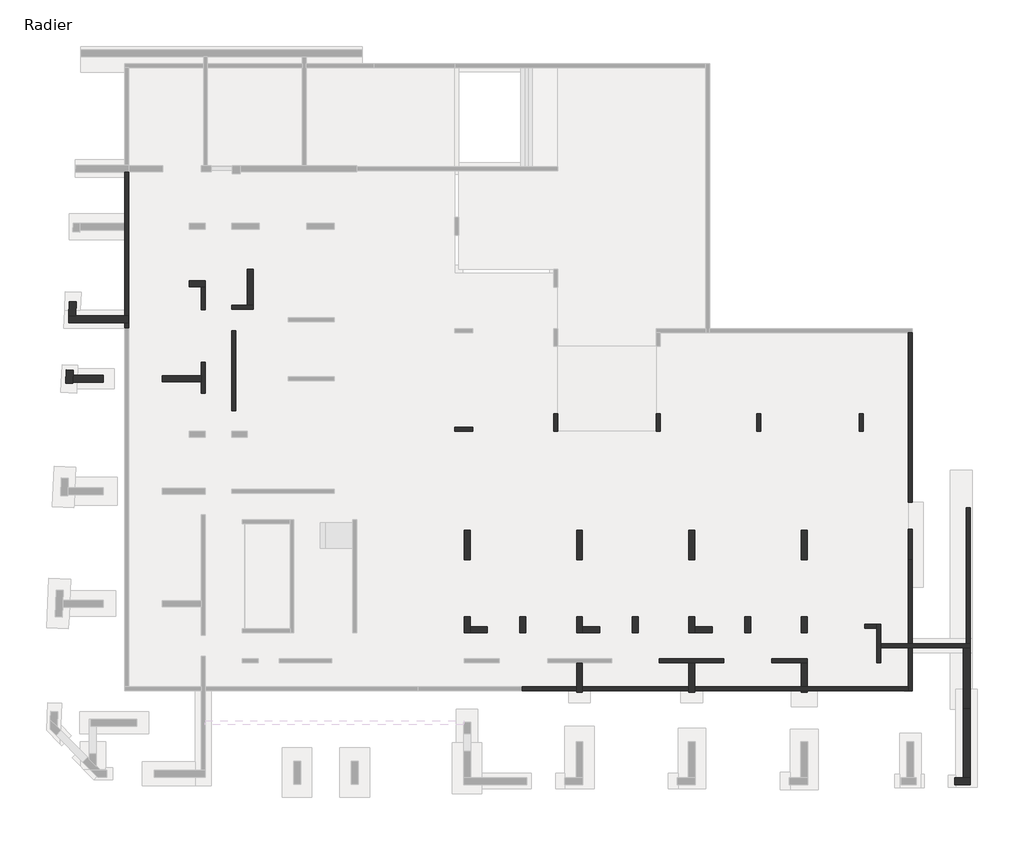
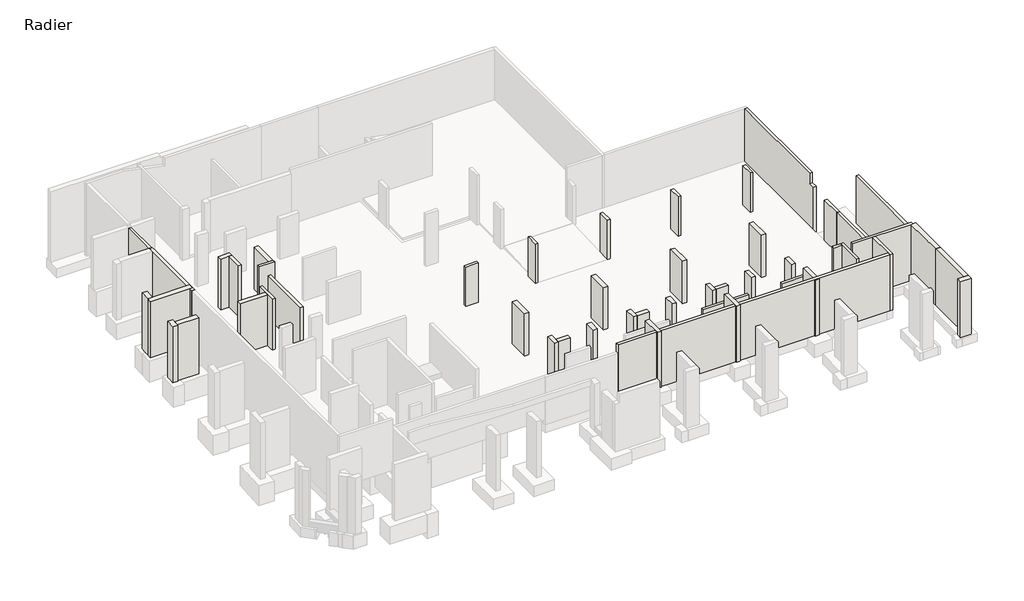
# One storey, part 2 of 5: 47 walls.
"""IFC4 building model written with IfcOpenShell, lengths in millimetres."""

from ifc_helpers import new_model, si_unit, frame, origin, place, context, project, spatial, polyline, outline, extrude, faceted_brep, element, save

model = new_model("IFC4")

# Units and contexts
model_context = context("Model", 3, world=origin())
ifc_project = project(units=[si_unit("LENGTHUNIT", "METRE", prefix="MILLI")], contexts=[model_context])

# Site, building, storey
site = spatial("IfcSite", under=ifc_project)
building = spatial("IfcBuilding", under=site)
storey = spatial("IfcBuildingStorey", under=building, Name="Radier", Elevation=-3900.0)

# Walls
placement = place(None, origin())
element("IfcWall", 1, ObjectType="MHA20", at=placement, inside=storey, context=model_context, shape_type="Brep", body=[
    faceted_brep([(-2535.6912908, -13279.0672499, -4300.0), (-2535.6912908, -12519.0672499, -4300.0), (-2535.6912908, -12319.0672499, -4300.0), (-2535.6912908, -11329.0672499, -4300.0), (-2535.6912908, -11329.0672499, -670.0), (-2535.6912908, -13279.0672499, -670.0), (-2735.6912908, -13279.0672499, -4300.0), (-2735.6912908, -13279.0672499, -670.0), (-2735.6912908, -11529.0672499, -670.0), (-2735.6912908, -11329.0672499, -670.0), (-2735.6912908, -11329.0672499, -4300.0), (-2735.6912908, -11529.0672499, -4300.0)], [[[0, 1, 2, 3, 4, 5]], [[6, 7, 8, 9, 10, 11]], [[3, 2, 1, 0, 6, 11, 10]], [[5, 4, 9, 8, 7]], [[0, 5, 7, 6]], [[4, 3, 10, 9]]]),
])
element("IfcWall", 2, ObjectType="MHA20", at=placement, inside=storey, context=model_context, shape_type="Brep", body=[
    faceted_brep([(-2535.6912908, -12519.0672499, -20.0), (-2535.6912908, -12519.0672499, -4300.0), (-1125.6912908, -12519.0672499, -4300.0), (-925.6912908, -12519.0672499, -4300.0), (1644.3087092, -12519.0672499, -4300.0), (1994.3087092, -12519.0672499, -4300.0), (1994.3087092, -12519.0672499, -670.0), (1794.3087092, -12519.0672499, -670.0), (1794.3087092, -12519.0672499, -20.0), (1644.3087092, -12519.0672499, -20.0), (-925.6912908, -12519.0672499, -20.0), (-1125.6912908, -12519.0672499, -20.0), (-2535.6912908, -12319.0672499, -4300.0), (-2535.6912908, -12319.0672499, -20.0), (1794.3087092, -12319.0672499, -20.0), (1794.3087092, -12319.0672499, -670.0), (1994.3087092, -12319.0672499, -670.0), (1994.3087092, -12319.0672499, -4300.0), (-925.6912908, -12319.0672499, -4300.0), (-1125.6912908, -12319.0672499, -4300.0)], [[[0, 1, 2, 3, 4, 5, 6, 7, 8, 9, 10, 11]], [[12, 13, 14, 15, 16, 17, 18, 19]], [[5, 4, 3, 2, 1, 12, 19, 18, 17]], [[0, 11, 10, 9, 8, 14, 13]], [[0, 13, 12, 1]], [[15, 7, 6, 16]], [[6, 5, 17, 16]], [[8, 7, 15, 14]]]),
])
element("IfcWall", 3, ObjectType="MHA20", at=placement, inside=storey, context=model_context, shape_type="Brep", body=[
    faceted_brep([(-6255.6912908, -13079.0672499, -4300.0), (-8050.6912908, -13079.0672499, -4300.0), (-8050.6912908, -13079.0672499, -670.0), (-6255.6912908, -13079.0672499, -670.0), (-6255.6912908, -13279.0672499, -4300.0), (-6255.6912908, -13279.0672499, -670.0), (-8050.6912908, -13279.0672499, -670.0), (-8050.6912908, -13279.0672499, -4300.0), (-6555.6912908, -13279.0672499, -4300.0)], [[[0, 1, 2, 3]], [[4, 5, 6, 7, 8]], [[1, 0, 4, 8, 7]], [[2, 1, 7, 6]], [[3, 2, 6, 5]], [[0, 3, 5, 4]]]),
])
element("IfcWall", 4, ObjectType="MHA20", at=placement, inside=storey, context=model_context, shape_type="SweptSolid", body=[
    extrude(outline(polyline([(3440.9327501, -4300.0), (-5144.0672499, -4300.0), (-5144.0672499, -673.85), (-4689.0672499, -680.22), (-4689.0672499, 100.0), (3440.9327501, 100.0), (3440.9327501, -4300.0)])), frame((-1125.6912908, 0.0, 0.0), z_axis=(1.0, 0.0, 0.0), x_axis=(0.0, 1.0, 0.0)), (0.0, 0.0, 1.0), 200.0),
])
element("IfcWall", 5, ObjectType="MHA20", at=placement, inside=storey, context=model_context, shape_type="Brep", body=[
    faceted_brep([(-10470.6912908, -13079.0672499, -4300.0), (-13740.6912908, -13079.0672499, -4300.0), (-13740.6912908, -13079.0672499, -670.0), (-10470.6912908, -13079.0672499, -670.0), (-10470.6912908, -13279.0672499, -4300.0), (-10470.6912908, -13279.0672499, -670.0), (-13740.6912908, -13279.0672499, -670.0), (-13740.6912908, -13279.0672499, -4300.0), (-12245.6912908, -13279.0672499, -4300.0), (-11945.6912908, -13279.0672499, -4300.0)], [[[0, 1, 2, 3]], [[4, 5, 6, 7, 8, 9]], [[1, 0, 4, 9, 8, 7]], [[2, 1, 7, 6]], [[3, 2, 6, 5]], [[0, 3, 5, 4]]]),
])
element("IfcWall", 6, ObjectType="MHA20", at=placement, inside=storey, context=model_context, shape_type="SweptSolid", body=[
    extrude(outline(polyline([(-35205.6912908, 3530.9327501), (-35205.6912908, -509.0672499), (-35405.6912908, -509.0672499), (-35405.6912908, 3530.9327501), (-35205.6912908, 3530.9327501)])), frame((0.0, 0.0, -4300.0), z_axis=(0.0, 0.0, 1.0), x_axis=(1.0, 0.0, 0.0)), (0.0, 0.0, 1.0), 3630.0),
])
element("IfcWall", 7, ObjectType="MHA20", at=placement, inside=storey, context=model_context, shape_type="Brep", body=[
    faceted_brep([(-35405.6912908, 4620.9327501, -4300.0), (-34305.6912908, 4620.9327501, -4300.0), (-34305.6912908, 4620.9327501, -670.0), (-35405.6912908, 4620.9327501, -670.0), (-35405.6912908, 4820.9327501, -4300.0), (-35405.6912908, 4820.9327501, -670.0), (-34605.6912908, 4820.9327501, -670.0), (-34305.6912908, 4820.9327501, -670.0), (-34305.6912908, 4820.9327501, -4300.0), (-34605.6912908, 4820.9327501, -4300.0)], [[[0, 1, 2, 3]], [[4, 5, 6, 7, 8, 9]], [[1, 0, 4, 9, 8]], [[3, 2, 7, 6, 5]], [[0, 3, 5, 4]], [[2, 1, 8, 7]]]),
])
element("IfcWall", 8, ObjectType="MHA20", at=placement, inside=storey, context=model_context, shape_type="Brep", body=[
    faceted_brep([(-36735.6912908, 360.9327501, -4300.0), (-36735.6912908, 1930.9327501, -4300.0), (-36735.6912908, 1930.9327501, -820.0), (-36735.6912908, 1930.9327501, -180.0), (-36735.6912908, 1930.9327501, -20.0), (-36735.6912908, 360.9327501, -20.0), (-36735.6912908, 360.9327501, -180.0), (-36735.6912908, 360.9327501, -820.0), (-36935.6912908, 360.9327501, -4300.0), (-36935.6912908, 360.9327501, -820.0), (-36935.6912908, 360.9327501, -180.0), (-36935.6912908, 360.9327501, -20.0), (-36935.6912908, 950.9327501, -20.0), (-36935.6912908, 1250.9327501, -20.0), (-36935.6912908, 1930.9327501, -20.0), (-36935.6912908, 1930.9327501, -180.0), (-36935.6912908, 1930.9327501, -820.0), (-36935.6912908, 1930.9327501, -4300.0), (-36935.6912908, 1250.9327501, -4300.0), (-36935.6912908, 950.9327501, -4300.0)], [[[0, 1, 2, 3, 4, 5, 6, 7]], [[8, 9, 10, 11, 12, 13, 14, 15, 16, 17, 18, 19]], [[1, 0, 8, 19, 18, 17]], [[4, 3, 2, 1, 17, 16, 15, 14]], [[5, 4, 14, 13, 12, 11]], [[0, 7, 6, 5, 11, 10, 9, 8]]]),
])
element("IfcWall", 9, ObjectType="MHA20", at=placement, inside=storey, context=model_context, shape_type="Brep", body=[
    faceted_brep([(-36935.6912908, 5760.9327501, -4300.0), (-36935.6912908, 4590.9327501, -4300.0), (-36935.6912908, 4590.9327501, -820.0), (-36935.6912908, 4590.9327501, -180.0), (-36935.6912908, 4590.9327501, -20.0), (-36935.6912908, 5760.9327501, -20.0), (-36735.6912908, 5760.9327501, -4300.0), (-36735.6912908, 5760.9327501, -20.0), (-36735.6912908, 4590.9327501, -20.0), (-36735.6912908, 4590.9327501, -180.0), (-36735.6912908, 4590.9327501, -820.0), (-36735.6912908, 4590.9327501, -4300.0)], [[[0, 1, 2, 3, 4, 5]], [[6, 7, 8, 9, 10, 11]], [[1, 0, 6, 11]], [[4, 3, 2, 1, 11, 10, 9, 8]], [[5, 4, 8, 7]], [[0, 5, 7, 6]]]),
])
element("IfcWall", 10, ObjectType="MHA20", at=placement, inside=storey, context=model_context, shape_type="Brep", body=[
    faceted_brep([(1994.3087092, -12319.0672499, -4300.0), (1994.3087092, -5419.0672499, -4300.0), (1994.3087092, -5419.0672499, -1250.0), (1994.3087092, -5419.0672499, -670.0), (1994.3087092, -12319.0672499, -670.0), (1794.3087092, -12319.0672499, -4300.0), (1794.3087092, -12319.0672499, -670.0), (1794.3087092, -5419.0672499, -670.0), (1794.3087092, -5419.0672499, -1250.0), (1794.3087092, -5419.0672499, -4300.0)], [[[0, 1, 2, 3, 4]], [[5, 6, 7, 8, 9]], [[1, 0, 5, 9]], [[4, 3, 7, 6]], [[0, 4, 6, 5]], [[3, 2, 1, 9, 8, 7]]]),
])
element("IfcWall", 11, ObjectType="MHA20", at=placement, inside=storey, context=model_context, shape_type="SweptSolid", body=[
    extrude(outline(polyline([(-2735.6912908, -11529.0672499), (-3335.6912908, -11529.0672499), (-3335.6912908, -11329.0672499), (-2735.6912908, -11329.0672499), (-2735.6912908, -11529.0672499)])), frame((0.0, 0.0, -4300.0), z_axis=(0.0, 0.0, 1.0), x_axis=(1.0, 0.0, 0.0)), (0.0, 0.0, 1.0), 3630.0),
])
element("IfcWall", 12, ObjectType="MHA20", at=placement, inside=storey, context=model_context, shape_type="SweptSolid", body=[
    extrude(outline(polyline([(-1125.6912908, -8069.0672499), (-1125.6912908, -6519.0672499), (-925.6912908, -6519.0672499), (-925.6912908, -8069.0672499), (-1125.6912908, -8069.0672499)])), frame((0.0, 0.0, -4300.0), z_axis=(0.0, 0.0, 1.0), x_axis=(1.0, 0.0, 0.0)), (0.0, 0.0, 1.0), 3470.0),
])
element("IfcWall", 13, ObjectType="MHA20", at=placement, inside=storey, context=model_context, shape_type="Brep", body=[
    faceted_brep([(-1125.6912908, -8069.0672499, -830.0), (-1125.6912908, -8069.0672499, -4300.0), (-1125.6912908, -12319.0672499, -4300.0), (-1125.6912908, -12319.0672499, -830.0), (-925.6912908, -8069.0672499, -4300.0), (-925.6912908, -8069.0672499, -830.0), (-925.6912908, -12319.0672499, -830.0), (-925.6912908, -12319.0672499, -4300.0)], [[[0, 1, 2, 3]], [[4, 5, 6, 7]], [[3, 2, 7, 6]], [[1, 4, 7, 2]], [[5, 0, 3, 6]], [[1, 0, 5, 4]]]),
    faceted_brep([(-1125.6912908, -14699.0672499, -4300.0), (-1125.6912908, -14699.0672499, -20.0), (-1125.6912908, -14499.0672499, -20.0), (-1125.6912908, -12519.0672499, -20.0), (-1125.6912908, -12519.0672499, -4300.0), (-1125.6912908, -14499.0672499, -4300.0), (-925.6912908, -14699.0672499, -20.0), (-925.6912908, -14699.0672499, -140.0), (-925.6912908, -14699.0672499, -820.0), (-925.6912908, -14699.0672499, -4300.0), (-925.6912908, -12519.0672499, -4300.0), (-925.6912908, -12519.0672499, -20.0)], [[[0, 1, 2, 3, 4, 5]], [[6, 7, 8, 9, 10, 11]], [[9, 0, 5, 4, 10]], [[1, 0, 9, 8, 7, 6]], [[3, 2, 1, 6, 11]], [[3, 11, 10, 4]]]),
])
element("IfcWall", 14, ObjectType="MHA20", at=placement, inside=storey, context=model_context, shape_type="Brep", body=[
    faceted_brep([(-40605.6912908, 3675.9327501, -4900.0), (-40605.6912908, 11750.9327501, -4900.0), (-40605.6912908, 11750.9327501, -3900.0), (-40605.6912908, 11575.9327501, -3900.0), (-40605.6912908, 11575.9327501, -67.8), (-40605.6912908, 8980.9327501, -67.8), (-40605.6912908, 8980.9327501, -20.0), (-40605.6912908, 8680.9327501, -20.0), (-40605.6912908, 3675.9327501, -20.0), (-40805.6912908, 11750.9327501, -4900.0), (-40805.6912908, 3675.9327501, -4900.0), (-40805.6912908, 3675.9327501, -20.0), (-40805.6912908, 8630.9327501, -20.0), (-40805.6912908, 8680.9327501, -20.0), (-40805.6912908, 8980.9327501, -20.0), (-40805.6912908, 8980.9327501, -55.8), (-40805.6912908, 11575.9327501, -55.8), (-40805.6912908, 11575.9327501, -3900.0), (-40805.6912908, 11750.9327501, -3900.0)], [[[0, 1, 2, 3, 4, 5, 6, 7, 8]], [[9, 10, 11, 12, 13, 14, 15, 16, 17, 18]], [[1, 0, 10, 9]], [[11, 8, 7, 6, 14, 13, 12]], [[0, 8, 11, 10]], [[1, 9, 18, 2]], [[3, 2, 18, 17]], [[3, 17, 16, 4]], [[5, 15, 14, 6]], [[15, 5, 4, 16]]]),
])
element("IfcWall", 15, ObjectType="MHA20", at=placement, inside=storey, context=model_context, shape_type="Brep", body=[
    faceted_brep([(-20715.6912908, -14699.0672499, -4300.0), (-1125.6912908, -14699.0672499, -4300.0), (-1125.6912908, -14699.0672499, -20.0), (-20715.6912908, -14699.0672499, -20.0), (-20715.6912908, -14499.0672499, -4300.0), (-20715.6912908, -14499.0672499, -20.0), (-1125.6912908, -14499.0672499, -20.0), (-1125.6912908, -14499.0672499, -180.0), (-1125.6912908, -14499.0672499, -820.0), (-1125.6912908, -14499.0672499, -4300.0)], [[[0, 1, 2, 3]], [[4, 5, 6, 7, 8, 9]], [[1, 0, 4, 9]], [[3, 2, 6, 5]], [[0, 3, 5, 4]], [[2, 1, 9, 8, 7, 6]]]),
])
element("IfcWall", 16, ObjectType="MHA20", at=placement, inside=storey, context=model_context, shape_type="Brep", body=[
    faceted_brep([(-3415.6912908, -1559.1017012, -4300.0), (-3415.6912908, -659.1017012, -4300.0), (-3415.6912908, -659.1017012, -1450.0), (-3415.6912908, -659.1017012, -900.0), (-3415.6912908, -1559.1017012, -900.0), (-3415.6912908, -1559.1017012, -1450.0), (-3615.6912908, -1559.1017012, -4300.0), (-3615.6912908, -1559.1017012, -1450.0), (-3615.6912908, -1559.1017012, -900.0), (-3615.6912908, -659.1017012, -900.0), (-3615.6912908, -659.1017012, -1450.0), (-3615.6912908, -659.1017012, -4300.0)], [[[0, 1, 2, 3, 4, 5]], [[6, 7, 8, 9, 10, 11]], [[1, 0, 6, 11]], [[3, 2, 1, 11, 10, 9]], [[4, 3, 9, 8]], [[0, 5, 4, 8, 7, 6]]]),
])
element("IfcWall", 17, ObjectType="MHA20", at=placement, inside=storey, context=model_context, shape_type="Brep", body=[
    faceted_brep([(-8595.6912908, -1559.1017012, -4300.0), (-8595.6912908, -659.1017012, -4300.0), (-8595.6912908, -659.1017012, -1450.0), (-8595.6912908, -659.1017012, -900.0), (-8595.6912908, -1559.1017012, -900.0), (-8595.6912908, -1559.1017012, -1450.0), (-8795.6912908, -1559.1017012, -4300.0), (-8795.6912908, -1559.1017012, -1450.0), (-8795.6912908, -1559.1017012, -900.0), (-8795.6912908, -659.1017012, -900.0), (-8795.6912908, -659.1017012, -1450.0), (-8795.6912908, -659.1017012, -4300.0)], [[[0, 1, 2, 3, 4, 5]], [[6, 7, 8, 9, 10, 11]], [[1, 0, 6, 11]], [[3, 2, 1, 11, 10, 9]], [[4, 3, 9, 8]], [[0, 5, 4, 8, 7, 6]]]),
])
element("IfcWall", 18, ObjectType="MHA20", at=placement, inside=storey, context=model_context, shape_type="Brep", body=[
    faceted_brep([(-13695.6912908, -1559.1017012, -4300.0), (-13695.6912908, -659.1017012, -4300.0), (-13695.6912908, -659.1017012, -1450.0), (-13695.6912908, -659.1017012, -900.0), (-13695.6912908, -1559.1017012, -900.0), (-13695.6912908, -1559.1017012, -1450.0), (-13895.6912908, -1559.1017012, -4300.0), (-13895.6912908, -1559.1017012, -1450.0), (-13895.6912908, -1559.1017012, -900.0), (-13895.6912908, -659.1017012, -900.0), (-13895.6912908, -659.1017012, -1450.0), (-13895.6912908, -659.1017012, -4300.0), (-13895.6912908, -1359.0672499, -4300.0)], [[[0, 1, 2, 3, 4, 5]], [[6, 7, 8, 9, 10, 11, 12]], [[1, 0, 6, 12, 11]], [[3, 2, 1, 11, 10, 9]], [[4, 3, 9, 8]], [[0, 5, 4, 8, 7, 6]]]),
])
element("IfcWall", 19, ObjectType="MHA20", at=placement, inside=storey, context=model_context, shape_type="Brep", body=[
    faceted_brep([(-19095.6912908, -659.1017012, -4300.0), (-19095.6912908, -1559.1017012, -4300.0), (-19095.6912908, -1559.1017012, -1450.0), (-19095.6912908, -1559.1017012, -900.0), (-19095.6912908, -659.1017012, -900.0), (-19095.6912908, -659.1017012, -1450.0), (-18895.6912908, -659.1017012, -4300.0), (-18895.6912908, -659.1017012, -1450.0), (-18895.6912908, -659.1017012, -900.0), (-18895.6912908, -1559.1017012, -900.0), (-18895.6912908, -1559.1017012, -1450.0), (-18895.6912908, -1559.1017012, -4300.0), (-18895.6912908, -1359.0672499, -4300.0)], [[[0, 1, 2, 3, 4, 5]], [[6, 7, 8, 9, 10, 11, 12]], [[1, 0, 6, 12, 11]], [[3, 2, 1, 11, 10, 9]], [[4, 3, 9, 8]], [[0, 5, 4, 8, 7, 6]]]),
])
element("IfcWall", 20, ObjectType="MHA20", at=placement, inside=storey, context=model_context, shape_type="Brep", body=[
    faceted_brep([(-24095.725742, -1559.1017012, -4300.0), (-23195.725742, -1559.1017012, -4300.0), (-23195.725742, -1559.1017012, -1450.0), (-23195.725742, -1559.1017012, -900.0), (-24095.725742, -1559.1017012, -900.0), (-24095.725742, -1559.1017012, -1450.0), (-24095.725742, -1359.1017012, -4300.0), (-24095.725742, -1359.1017012, -1450.0), (-24095.725742, -1359.1017012, -900.0), (-23195.725742, -1359.1017012, -900.0), (-23195.725742, -1359.1017012, -1450.0), (-23195.725742, -1359.1017012, -4300.0)], [[[0, 1, 2, 3, 4, 5]], [[6, 7, 8, 9, 10, 11]], [[1, 0, 6, 11]], [[3, 2, 1, 11, 10, 9]], [[4, 3, 9, 8]], [[0, 5, 4, 8, 7, 6]]]),
])
element("IfcWall", 21, ObjectType="MHA30", at=placement, inside=storey, context=model_context, shape_type="Brep", body=[
    faceted_brep([(-6255.6912908, -11759.0672499, -4300.0), (-6255.6912908, -10959.0672499, -4300.0), (-6255.6912908, -10959.0672499, -1650.0), (-6255.6912908, -10959.0672499, -830.0), (-6255.6912908, -10959.0672499, -670.0), (-6255.6912908, -11759.0672499, -670.0), (-6555.6912908, -11759.0672499, -4300.0), (-6555.6912908, -11759.0672499, -670.0), (-6555.6912908, -10959.0672499, -670.0), (-6555.6912908, -10959.0672499, -830.0), (-6555.6912908, -10959.0672499, -1650.0), (-6555.6912908, -10959.0672499, -4300.0)], [[[0, 1, 2, 3, 4, 5]], [[6, 7, 8, 9, 10, 11]], [[1, 0, 6, 11]], [[4, 3, 2, 1, 11, 10, 9, 8]], [[5, 4, 8, 7]], [[0, 5, 7, 6]]]),
])
element("IfcWall", 22, ObjectType="MHA30", at=placement, inside=storey, context=model_context, shape_type="Brep", body=[
    faceted_brep([(-11945.6912908, -11759.0672499, -4300.0), (-11945.6912908, -11459.0672499, -4300.0), (-11945.6912908, -10959.0672499, -4300.0), (-11945.6912908, -10959.0672499, -1650.0), (-11945.6912908, -10959.0672499, -830.0), (-11945.6912908, -10959.0672499, -670.0), (-11945.6912908, -11459.0672499, -670.0), (-11945.6912908, -11759.0672499, -670.0), (-12245.6912908, -11759.0672499, -4300.0), (-12245.6912908, -11759.0672499, -670.0), (-12245.6912908, -10959.0672499, -670.0), (-12245.6912908, -10959.0672499, -830.0), (-12245.6912908, -10959.0672499, -1650.0), (-12245.6912908, -10959.0672499, -4300.0)], [[[0, 1, 2, 3, 4, 5, 6, 7]], [[8, 9, 10, 11, 12, 13]], [[2, 1, 0, 8, 13]], [[5, 4, 3, 2, 13, 12, 11, 10]], [[7, 6, 5, 10, 9]], [[0, 7, 9, 8]]]),
])
element("IfcWall", 23, ObjectType="MHA30", at=placement, inside=storey, context=model_context, shape_type="SweptSolid", body=[
    extrude(outline(polyline([(-11945.6912908, -11459.0672499), (-11070.6912908, -11459.0672499), (-11070.6912908, -11759.0672499), (-11945.6912908, -11759.0672499), (-11945.6912908, -11459.0672499)])), frame((0.0, 0.0, -4300.0), z_axis=(0.0, 0.0, 1.0), x_axis=(1.0, 0.0, 0.0)), (0.0, 0.0, 1.0), 3630.0),
])
element("IfcWall", 24, ObjectType="MHA30", at=placement, inside=storey, context=model_context, shape_type="SweptSolid", body=[
    extrude(outline(polyline([(-9120.6912908, -10959.0672499), (-9120.6912908, -11759.0672499), (-9420.6912908, -11759.0672499), (-9420.6912908, -10959.0672499), (-9120.6912908, -10959.0672499)])), frame((0.0, 0.0, -4300.0), z_axis=(0.0, 0.0, 1.0), x_axis=(1.0, 0.0, 0.0)), (0.0, 0.0, 1.0), 3630.0),
])
element("IfcWall", 25, ObjectType="MHA30", at=placement, inside=storey, context=model_context, shape_type="SweptSolid", body=[
    extrude(outline(polyline([(-14810.6912908, -10959.0672499), (-14810.6912908, -11759.0672499), (-15110.6912908, -11759.0672499), (-15110.6912908, -10959.0672499), (-14810.6912908, -10959.0672499)])), frame((0.0, 0.0, -4300.0), z_axis=(0.0, 0.0, 1.0), x_axis=(1.0, 0.0, 0.0)), (0.0, 0.0, 1.0), 3630.0),
])
element("IfcWall", 26, ObjectType="MHA30", at=placement, inside=storey, context=model_context, shape_type="SweptSolid", body=[
    extrude(outline(polyline([(-20500.6912908, -10959.0672499), (-20500.6912908, -11759.0672499), (-20800.6912908, -11759.0672499), (-20800.6912908, -10959.0672499), (-20500.6912908, -10959.0672499)])), frame((0.0, 0.0, -4300.0), z_axis=(0.0, 0.0, 1.0), x_axis=(1.0, 0.0, 0.0)), (0.0, 0.0, 1.0), 3630.0),
])
element("IfcWall", 27, ObjectType="MHA30", at=placement, inside=storey, context=model_context, shape_type="SweptSolid", body=[
    extrude(outline(polyline([(-34305.6912908, 6650.9327501), (-34305.6912908, 4820.9327501), (-34605.6912908, 4820.9327501), (-34605.6912908, 6650.9327501), (-34305.6912908, 6650.9327501)])), frame((0.0, 0.0, -4300.0), z_axis=(0.0, 0.0, 1.0), x_axis=(1.0, 0.0, 0.0)), (0.0, 0.0, 1.0), 3630.0),
])
element("IfcWall", 28, ObjectType="MHA30", at=placement, inside=storey, context=model_context, shape_type="Brep", body=[
    faceted_brep([(-37535.6912908, 5760.9327501, -4300.0), (-36935.6912908, 5760.9327501, -4300.0), (-36735.6912908, 5760.9327501, -4300.0), (-36735.6912908, 5760.9327501, -20.0), (-36935.6912908, 5760.9327501, -20.0), (-37535.6912908, 5760.9327501, -20.0), (-37535.6912908, 6060.9327501, -4300.0), (-37535.6912908, 6060.9327501, -300.0), (-37535.6912908, 6060.9327501, -20.0), (-36735.6912908, 6060.9327501, -20.0), (-36735.6912908, 6060.9327501, -4300.0)], [[[0, 1, 2, 3, 4, 5]], [[6, 7, 8, 9, 10]], [[2, 1, 0, 6, 10]], [[5, 4, 3, 9, 8]], [[0, 5, 8, 7, 6]], [[3, 2, 10, 9]]]),
])
element("IfcWall", 29, ObjectType="MHA30", at=placement, inside=storey, context=model_context, shape_type="Brep", body=[
    faceted_brep([(-6255.6912908, -14769.0672499, -4300.0), (-6255.6912908, -13279.0672499, -4300.0), (-6255.6912908, -13279.0672499, -820.0), (-6255.6912908, -13279.0672499, -670.0), (-6255.6912908, -13279.0672499, -180.0), (-6255.6912908, -13279.0672499, -20.0), (-6255.6912908, -14769.0672499, -20.0), (-6255.6912908, -14769.0672499, -140.0), (-6255.6912908, -14769.0672499, -820.0), (-6555.6912908, -14769.0672499, -4300.0), (-6555.6912908, -14769.0672499, -820.0), (-6555.6912908, -14769.0672499, -140.0), (-6555.6912908, -14769.0672499, -20.0), (-6555.6912908, -13279.0672499, -20.0), (-6555.6912908, -13279.0672499, -180.0), (-6555.6912908, -13279.0672499, -820.0), (-6555.6912908, -13279.0672499, -4300.0)], [[[0, 1, 2, 3, 4, 5, 6, 7, 8]], [[9, 10, 11, 12, 13, 14, 15, 16]], [[1, 0, 9, 16]], [[6, 5, 13, 12]], [[0, 8, 7, 6, 12, 11, 10, 9]], [[1, 16, 15, 14, 13, 5, 4, 3, 2]]]),
])
element("IfcWall", 30, ObjectType="MHA30", at=placement, inside=storey, context=model_context, shape_type="Brep", body=[
    faceted_brep([(-17635.6912908, -14769.0672499, -4300.0), (-17635.6912908, -13279.0672499, -4300.0), (-17635.6912908, -13279.0672499, -820.0), (-17635.6912908, -13279.0672499, -180.0), (-17635.6912908, -13279.0672499, -20.0), (-17635.6912908, -14769.0672499, -20.0), (-17635.6912908, -14769.0672499, -140.0), (-17635.6912908, -14769.0672499, -820.0), (-17935.6912908, -14769.0672499, -4300.0), (-17935.6912908, -14769.0672499, -820.0), (-17935.6912908, -14769.0672499, -140.0), (-17935.6912908, -14769.0672499, -20.0), (-17935.6912908, -13279.0672499, -20.0), (-17935.6912908, -13279.0672499, -180.0), (-17935.6912908, -13279.0672499, -820.0), (-17935.6912908, -13279.0672499, -4300.0)], [[[0, 1, 2, 3, 4, 5, 6, 7]], [[8, 9, 10, 11, 12, 13, 14, 15]], [[1, 0, 8, 15]], [[5, 4, 12, 11]], [[0, 7, 6, 5, 11, 10, 9, 8]], [[1, 15, 14, 13, 12, 4, 3, 2]]]),
])
element("IfcWall", 31, ObjectType="MHA30", at=placement, inside=storey, context=model_context, shape_type="Brep", body=[
    faceted_brep([(-11945.6912908, -14769.0672499, -4300.0), (-11945.6912908, -13279.0672499, -4300.0), (-11945.6912908, -13279.0672499, -820.0), (-11945.6912908, -13279.0672499, -180.0), (-11945.6912908, -13279.0672499, -20.0), (-11945.6912908, -14769.0672499, -20.0), (-11945.6912908, -14769.0672499, -140.0), (-11945.6912908, -14769.0672499, -820.0), (-12245.6912908, -14769.0672499, -4300.0), (-12245.6912908, -14769.0672499, -820.0), (-12245.6912908, -14769.0672499, -140.0), (-12245.6912908, -14769.0672499, -20.0), (-12245.6912908, -13279.0672499, -20.0), (-12245.6912908, -13279.0672499, -180.0), (-12245.6912908, -13279.0672499, -820.0), (-12245.6912908, -13279.0672499, -4300.0)], [[[0, 1, 2, 3, 4, 5, 6, 7]], [[8, 9, 10, 11, 12, 13, 14, 15]], [[1, 0, 8, 15]], [[5, 4, 12, 11]], [[0, 7, 6, 5, 11, 10, 9, 8]], [[1, 15, 14, 13, 12, 4, 3, 2]]]),
])
element("IfcWall", 32, ObjectType="MHA30", at=placement, inside=storey, context=model_context, shape_type="Brep", body=[
    faceted_brep([(-38905.6912908, 950.9327501, -4300.0), (-36935.6912908, 950.9327501, -4300.0), (-36935.6912908, 950.9327501, -820.0), (-36935.6912908, 950.9327501, -180.0), (-36935.6912908, 950.9327501, -20.0), (-38905.6912908, 950.9327501, -20.0), (-38905.6912908, 950.9327501, -180.0), (-38905.6912908, 950.9327501, -820.0), (-38905.6912908, 1250.9327501, -4300.0), (-38905.6912908, 1250.9327501, -820.0), (-38905.6912908, 1250.9327501, -180.0), (-38905.6912908, 1250.9327501, -20.0), (-36935.6912908, 1250.9327501, -20.0), (-36935.6912908, 1250.9327501, -180.0), (-36935.6912908, 1250.9327501, -820.0), (-36935.6912908, 1250.9327501, -4300.0)], [[[0, 1, 2, 3, 4, 5, 6, 7]], [[8, 9, 10, 11, 12, 13, 14, 15]], [[1, 0, 8, 15]], [[5, 4, 12, 11]], [[0, 7, 6, 5, 11, 10, 9, 8]], [[4, 3, 2, 1, 15, 14, 13, 12]]]),
])
element("IfcWall", 33, ObjectType="MHA30", at=placement, inside=storey, context=model_context, shape_type="Brep", body=[
    faceted_brep([(-17935.6912908, -6559.0672499, -4300.0), (-17935.6912908, -8059.0672499, -4300.0), (-17935.6912908, -8059.0672499, -1650.0), (-17935.6912908, -8059.0672499, -830.0), (-17935.6912908, -8059.0672499, -670.0), (-17935.6912908, -6559.0672499, -670.0), (-17935.6912908, -6559.0672499, -830.0), (-17935.6912908, -6559.0672499, -1650.0), (-17635.6912908, -6559.0672499, -4300.0), (-17635.6912908, -6559.0672499, -1650.0), (-17635.6912908, -6559.0672499, -830.0), (-17635.6912908, -6559.0672499, -670.0), (-17635.6912908, -8059.0672499, -670.0), (-17635.6912908, -8059.0672499, -830.0), (-17635.6912908, -8059.0672499, -1650.0), (-17635.6912908, -8059.0672499, -4300.0)], [[[0, 1, 2, 3, 4, 5, 6, 7]], [[8, 9, 10, 11, 12, 13, 14, 15]], [[1, 0, 8, 15]], [[4, 3, 2, 1, 15, 14, 13, 12]], [[5, 4, 12, 11]], [[0, 7, 6, 5, 11, 10, 9, 8]]]),
])
element("IfcWall", 34, ObjectType="MHA30", at=placement, inside=storey, context=model_context, shape_type="Brep", body=[
    faceted_brep([(-17935.6912908, -10959.0672499, -4300.0), (-17935.6912908, -11759.0672499, -4300.0), (-17935.6912908, -11759.0672499, -670.0), (-17935.6912908, -10959.0672499, -670.0), (-17935.6912908, -10959.0672499, -830.0), (-17935.6912908, -10959.0672499, -1650.0), (-17635.6912908, -10959.0672499, -4300.0), (-17635.6912908, -10959.0672499, -1650.0), (-17635.6912908, -10959.0672499, -830.0), (-17635.6912908, -10959.0672499, -670.0), (-17635.6912908, -11459.0672499, -670.0), (-17635.6912908, -11759.0672499, -670.0), (-17635.6912908, -11759.0672499, -4300.0), (-17635.6912908, -11459.0672499, -4300.0)], [[[0, 1, 2, 3, 4, 5]], [[6, 7, 8, 9, 10, 11, 12, 13]], [[1, 0, 6, 13, 12]], [[3, 2, 11, 10, 9]], [[0, 5, 4, 3, 9, 8, 7, 6]], [[2, 1, 12, 11]]]),
])
element("IfcWall", 35, ObjectType="MHA30", at=placement, inside=storey, context=model_context, shape_type="Brep", body=[
    faceted_brep([(-23625.6912908, -6559.0672499, -4300.0), (-23625.6912908, -8059.0672499, -4300.0), (-23625.6912908, -8059.0672499, -1650.0), (-23625.6912908, -8059.0672499, -830.0), (-23625.6912908, -8059.0672499, -670.0), (-23625.6912908, -6559.0672499, -670.0), (-23625.6912908, -6559.0672499, -830.0), (-23625.6912908, -6559.0672499, -1650.0), (-23325.6912908, -6559.0672499, -4300.0), (-23325.6912908, -6559.0672499, -1650.0), (-23325.6912908, -6559.0672499, -830.0), (-23325.6912908, -6559.0672499, -670.0), (-23325.6912908, -8059.0672499, -670.0), (-23325.6912908, -8059.0672499, -830.0), (-23325.6912908, -8059.0672499, -1650.0), (-23325.6912908, -8059.0672499, -4300.0)], [[[0, 1, 2, 3, 4, 5, 6, 7]], [[8, 9, 10, 11, 12, 13, 14, 15]], [[1, 0, 8, 15]], [[4, 3, 2, 1, 15, 14, 13, 12]], [[5, 4, 12, 11]], [[0, 7, 6, 5, 11, 10, 9, 8]]]),
])
element("IfcWall", 36, ObjectType="MHA30", at=placement, inside=storey, context=model_context, shape_type="Brep", body=[
    faceted_brep([(-23625.6912908, -10959.0672499, -4300.0), (-23625.6912908, -11759.0672499, -4300.0), (-23625.6912908, -11759.0672499, -1650.0), (-23625.6912908, -11759.0672499, -830.0), (-23625.6912908, -11759.0672499, -670.0), (-23625.6912908, -10959.0672499, -670.0), (-23625.6912908, -10959.0672499, -830.0), (-23625.6912908, -10959.0672499, -1650.0), (-23325.6912908, -10959.0672499, -4300.0), (-23325.6912908, -10959.0672499, -1650.0), (-23325.6912908, -10959.0672499, -830.0), (-23325.6912908, -10959.0672499, -670.0), (-23325.6912908, -11459.0672499, -670.0), (-23325.6912908, -11759.0672499, -670.0), (-23325.6912908, -11759.0672499, -4300.0), (-23325.6912908, -11459.0672499, -4300.0)], [[[0, 1, 2, 3, 4, 5, 6, 7]], [[8, 9, 10, 11, 12, 13, 14, 15]], [[1, 0, 8, 15, 14]], [[5, 4, 13, 12, 11]], [[0, 7, 6, 5, 11, 10, 9, 8]], [[4, 3, 2, 1, 14, 13]]]),
])
element("IfcWall", 37, ObjectType="MHA30", at=placement, inside=storey, context=model_context, shape_type="Brep", body=[
    faceted_brep([(-11945.6912908, -8059.0672499, -4300.0), (-11945.6912908, -6559.0672499, -4300.0), (-11945.6912908, -6559.0672499, -1650.0), (-11945.6912908, -6559.0672499, -830.0), (-11945.6912908, -6559.0672499, -670.0), (-11945.6912908, -8059.0672499, -670.0), (-11945.6912908, -8059.0672499, -830.0), (-11945.6912908, -8059.0672499, -1650.0), (-12245.6912908, -8059.0672499, -4300.0), (-12245.6912908, -8059.0672499, -1650.0), (-12245.6912908, -8059.0672499, -830.0), (-12245.6912908, -8059.0672499, -670.0), (-12245.6912908, -6559.0672499, -670.0), (-12245.6912908, -6559.0672499, -830.0), (-12245.6912908, -6559.0672499, -1650.0), (-12245.6912908, -6559.0672499, -4300.0)], [[[0, 1, 2, 3, 4, 5, 6, 7]], [[8, 9, 10, 11, 12, 13, 14, 15]], [[1, 0, 8, 15]], [[4, 3, 2, 1, 15, 14, 13, 12]], [[5, 4, 12, 11]], [[0, 7, 6, 5, 11, 10, 9, 8]]]),
])
element("IfcWall", 38, ObjectType="MHA30", at=placement, inside=storey, context=model_context, shape_type="Brep", body=[
    faceted_brep([(-6255.6912908, -8059.0672499, -4300.0), (-6255.6912908, -6559.0672499, -4300.0), (-6255.6912908, -6559.0672499, -1650.0), (-6255.6912908, -6559.0672499, -830.0), (-6255.6912908, -6559.0672499, -670.0), (-6255.6912908, -8059.0672499, -670.0), (-6255.6912908, -8059.0672499, -830.0), (-6255.6912908, -8059.0672499, -1650.0), (-6555.6912908, -8059.0672499, -4300.0), (-6555.6912908, -8059.0672499, -1650.0), (-6555.6912908, -8059.0672499, -830.0), (-6555.6912908, -8059.0672499, -670.0), (-6555.6912908, -6559.0672499, -670.0), (-6555.6912908, -6559.0672499, -830.0), (-6555.6912908, -6559.0672499, -1650.0), (-6555.6912908, -6559.0672499, -4300.0)], [[[0, 1, 2, 3, 4, 5, 6, 7]], [[8, 9, 10, 11, 12, 13, 14, 15]], [[1, 0, 8, 15]], [[4, 3, 2, 1, 15, 14, 13, 12]], [[5, 4, 12, 11]], [[0, 7, 6, 5, 11, 10, 9, 8]]]),
])
element("IfcWall", 39, ObjectType="MHA30", at=placement, inside=storey, context=model_context, shape_type="SweptSolid", body=[
    extrude(outline(polyline([(-23325.6912908, -11459.0672499), (-22450.6912908, -11459.0672499), (-22450.6912908, -11759.0672499), (-23325.6912908, -11759.0672499), (-23325.6912908, -11459.0672499)])), frame((0.0, 0.0, -4300.0), z_axis=(0.0, 0.0, 1.0), x_axis=(1.0, 0.0, 0.0)), (0.0, 0.0, 1.0), 3630.0),
])
element("IfcWall", 40, ObjectType="MHA30", at=placement, inside=storey, context=model_context, shape_type="SweptSolid", body=[
    extrude(outline(polyline([(-17635.6912908, -11459.0672499), (-16760.6912908, -11459.0672499), (-16760.6912908, -11759.0672499), (-17635.6912908, -11759.0672499), (-17635.6912908, -11459.0672499)])), frame((0.0, 0.0, -4300.0), z_axis=(0.0, 0.0, 1.0), x_axis=(1.0, 0.0, 0.0)), (0.0, 0.0, 1.0), 3630.0),
])
element("IfcWall", 41, ObjectType="MHA35", at=placement, inside=storey, context=model_context, shape_type="SweptSolid", body=[
    extrude(outline(polyline([(1994.3087092, -15594.0672499), (1994.3087092, -19094.0672499), (1644.3087092, -19094.0672499), (1644.3087092, -15594.0672499), (1994.3087092, -15594.0672499)])), frame((0.0, 0.0, -4300.0), z_axis=(0.0, 0.0, 1.0), x_axis=(1.0, 0.0, 0.0)), (0.0, 0.0, 1.0), 4280.0),
])
element("IfcWall", 42, ObjectType="MHA35", at=placement, inside=storey, context=model_context, shape_type="Brep", body=[
    faceted_brep([(-43449.8934248, 925.9327501, -4300.0), (-41905.6912908, 925.9327501, -4300.0), (-41905.6912908, 925.9327501, -820.0), (-41905.6912908, 925.9327501, -140.0), (-41905.6912908, 925.9327501, -20.0), (-43449.8934248, 925.9327501, -20.0), (-43434.0157055, 1275.9327501, -4300.0), (-43434.0157055, 1275.9327501, -20.0), (-41905.6912908, 1275.9327501, -20.0), (-41905.6912908, 1275.9327501, -140.0), (-41905.6912908, 1275.9327501, -820.0), (-41905.6912908, 1275.9327501, -4300.0)], [[[0, 1, 2, 3, 4, 5]], [[6, 7, 8, 9, 10, 11]], [[1, 0, 6, 11]], [[4, 3, 2, 1, 11, 10, 9, 8]], [[5, 4, 8, 7]], [[0, 5, 7, 6]]]),
])
element("IfcWall", 43, ObjectType="MHA35", at=placement, inside=storey, context=model_context, shape_type="Brep", body=[
    faceted_brep([(-40625.6912908, 4300.9327501, -4300.0), (-43296.7868458, 4300.9327501, -4300.0), (-43647.1468063, 4300.9327501, -4300.0), (-43647.1468063, 4300.9327501, -20.0), (-43296.7868458, 4300.9327501, -20.0), (-40625.6912908, 4300.9327501, -20.0), (-40625.6912908, 3950.9327501, -4300.0), (-40625.6912908, 3950.9327501, -20.0), (-43663.0245256, 3950.9327501, -20.0), (-43663.0245256, 3950.9327501, -140.0), (-43663.0245256, 3950.9327501, -420.0), (-43663.0245256, 3950.9327501, -4300.0)], [[[0, 1, 2, 3, 4, 5]], [[6, 7, 8, 9, 10, 11]], [[2, 1, 0, 6, 11]], [[5, 4, 3, 8, 7]], [[0, 5, 7, 6]], [[3, 2, 11, 10, 9, 8]]]),
])
element("IfcWall", 44, ObjectType="MHA35", at=placement, inside=storey, context=model_context, shape_type="Brep", body=[
    faceted_brep([(1994.3087092, -15594.0672499, -4300.0), (1994.3087092, -12519.0672499, -4300.0), (1994.3087092, -12519.0672499, -670.0), (1994.3087092, -12519.0672499, -20.0), (1994.3087092, -15594.0672499, -20.0), (1644.3087092, -15594.0672499, -4300.0), (1644.3087092, -15594.0672499, -20.0), (1644.3087092, -12519.0672499, -20.0), (1644.3087092, -12519.0672499, -4300.0), (1794.3087092, -12519.0672499, -20.0), (1694.3087092, -12519.0672499, -20.0)], [[[0, 1, 2, 3, 4]], [[5, 6, 7, 8]], [[1, 0, 5, 8]], [[4, 3, 9, 10, 7, 6]], [[0, 4, 6, 5]], [[3, 2, 1, 8, 7, 10, 9]]]),
])
element("IfcWall", 45, ObjectType="MHA35", at=placement, inside=storey, context=model_context, shape_type="Brep", body=[
    faceted_brep([(1214.3087092, -19444.0672499, -4300.0), (1994.3087092, -19444.0672499, -4300.0), (1994.3087092, -19444.0672499, -20.0), (1214.3087092, -19444.0672499, -20.0), (1214.3087092, -19444.0672499, -140.0), (1214.3087092, -19444.0672499, -420.0), (1214.3087092, -19444.0672499, -3700.0), (1214.3087092, -19094.0672499, -4300.0), (1214.3087092, -19094.0672499, -3700.0), (1214.3087092, -19094.0672499, -20.0), (1644.3087092, -19094.0672499, -20.0), (1994.3087092, -19094.0672499, -20.0), (1994.3087092, -19094.0672499, -4300.0), (1644.3087092, -19094.0672499, -4300.0)], [[[0, 1, 2, 3, 4, 5, 6]], [[7, 8, 9, 10, 11, 12, 13]], [[1, 0, 7, 13, 12]], [[3, 2, 11, 10, 9]], [[0, 6, 5, 4, 3, 9, 8, 7]], [[2, 1, 12, 11]]]),
])
element("IfcWall", 46, ObjectType="MHA35", at=placement, inside=storey, context=model_context, shape_type="Brep", body=[
    faceted_brep([(-43296.7868458, 4300.9327501, -4300.0), (-43265.3093316, 4994.8063327, -4300.0), (-43265.3093316, 4994.8063327, -3700.0), (-43265.3093316, 4994.8063327, -20.0), (-43296.7868458, 4300.9327501, -20.0), (-43647.1468063, 4300.9327501, -4300.0), (-43647.1468063, 4300.9327501, -20.0), (-43614.9497408, 5010.6677392, -20.0), (-43614.9497408, 5010.6677392, -140.0), (-43614.9497408, 5010.6677392, -420.0), (-43614.9497408, 5010.6677392, -3700.0), (-43614.9497408, 5010.6677392, -4300.0)], [[[0, 1, 2, 3, 4]], [[5, 6, 7, 8, 9, 10, 11]], [[1, 0, 5, 11]], [[3, 2, 1, 11, 10, 9, 8, 7]], [[4, 3, 7, 6]], [[0, 4, 6, 5]]]),
])
element("IfcWall", 47, ObjectType="MHA35", at=placement, inside=storey, context=model_context, shape_type="Brep", body=[
    faceted_brep([(-43452.4240025, 870.1500411, -4300.0), (-43449.8934248, 925.9327501, -4300.0), (-43434.0157055, 1275.9327501, -4300.0), (-43422.2873301, 1534.4668187, -4300.0), (-43422.2873301, 1534.4668187, -3700.0), (-43422.2873301, 1534.4668187, -20.0), (-43434.0157055, 1275.9327501, -20.0), (-43435.1498283, 1250.9327501, -20.0), (-43448.759302, 950.9327501, -20.0), (-43449.8934248, 925.9327501, -20.0), (-43452.4240025, 870.1500411, -20.0), (-43452.4240025, 870.1500411, -3700.0), (-43802.0644117, 886.0114476, -4300.0), (-43802.0644117, 886.0114476, -3700.0), (-43802.0644117, 886.0114476, -20.0), (-43771.9277394, 1550.3282252, -20.0), (-43771.9277394, 1550.3282252, -140.0), (-43771.9277394, 1550.3282252, -420.0), (-43771.9277394, 1550.3282252, -3700.0), (-43771.9277394, 1550.3282252, -4300.0)], [[[0, 1, 2, 3, 4, 5, 6, 7, 8, 9, 10, 11]], [[12, 13, 14, 15, 16, 17, 18, 19]], [[3, 2, 1, 0, 12, 19]], [[5, 4, 3, 19, 18, 17, 16, 15]], [[10, 9, 8, 7, 6, 5, 15, 14]], [[0, 11, 10, 14, 13, 12]]]),
])

save(model, "model.ifc")
